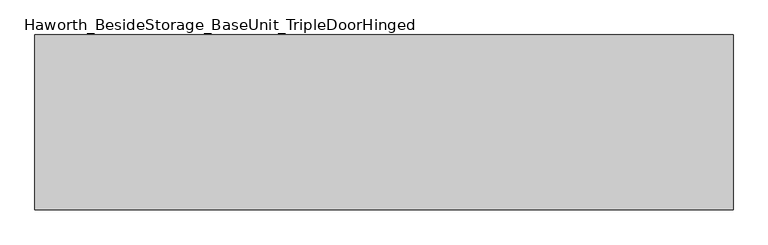
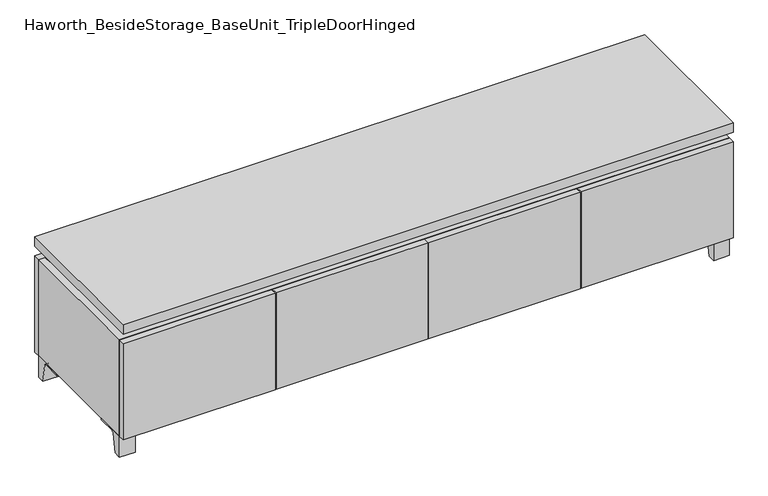
"""IFC4 building model written with IfcOpenShell, lengths in millimetres: furniture geometry, Haworth_BesideStorage_BaseUnit_TripleDoorHinged."""

from ifc_helpers import new_model, si_unit, point, frame, frame_2d, origin, place, context, project, spatial, polyline, circle_curve, trimmed, segment, composite_curve, outline, extrude, faceted_brep, source, transform, mapped, element, save


def haworth_besidestorage_baseunit_tripledoorhinged_94c690e0(model_context):
    return source(origin(), model_context, "Body", "SolidModel", [
        extrude(outline(composite_curve([segment(polyline([(38.6291531, 0.0), (15.875, 0.0), (15.875, 66.675), (111.125, 66.675), (111.125, 61.8963321), (54.3244655, 61.8963321)]), True, "CONTINUOUS"), segment(trimmed(circle_curve(frame_2d((54.3244655, 55.5463321)), 6.35), [point((54.3244655, 61.8963321))], [point((48.0608641, 56.5902656))], True, "CARTESIAN"), True, "CONTINUOUS"), segment(polyline([(48.0608641, 56.5902656), (38.6291531, 0.0)]), True, "CONTINUOUS")], self_intersect=False)), frame((-23.7986094, 0.0, 0.0), z_axis=(1.0, 0.0, 0.0), x_axis=(0.0, 1.0, 0.0)), (0.0, 0.0, 1.0), 47.625),
        extrude(outline(composite_curve([segment(polyline([(-129.6458469, 0.0), (-152.4, 0.0), (-152.4, 66.675), (-57.15, 66.675), (-57.15, 61.8963321), (-113.9505345, 61.8963321)]), True, "CONTINUOUS"), segment(trimmed(circle_curve(frame_2d((-113.9505345, 55.5463321)), 6.35), [point((-113.9505345, 61.8963321))], [point((-120.2141359, 56.5902656))], True, "CARTESIAN"), True, "CONTINUOUS"), segment(polyline([(-120.2141359, 56.5902656), (-129.6458469, 0.0)]), True, "CONTINUOUS")], self_intersect=False)), frame((865.2013906, 0.0, 0.0), z_axis=(1.0, 0.0, 0.0), x_axis=(0.0, 1.0, 0.0)), (0.0, 0.0, 1.0), 47.625),
        extrude(outline(composite_curve([segment(polyline([(243.9458469, 0.0), (234.5141359, 56.5902656)]), True, "CONTINUOUS"), segment(trimmed(circle_curve(frame_2d((228.2505345, 55.5463321)), 6.35), [point((234.5141359, 56.5902656))], [point((228.2505345, 61.8963321))], True, "CARTESIAN"), True, "CONTINUOUS"), segment(polyline([(228.2505345, 61.8963321), (171.45, 61.8963321), (171.45, 66.675), (266.7, 66.675), (266.7, 0.0), (243.9458469, 0.0)]), True, "CONTINUOUS")], self_intersect=False)), frame((865.2013906, 0.0, 0.0), z_axis=(1.0, 0.0, 0.0), x_axis=(0.0, 1.0, 0.0)), (0.0, 0.0, 1.0), 47.625),
        extrude(outline(composite_curve([segment(polyline([(-129.6458469, 0.0), (-152.4, 0.0), (-152.4, 66.675), (-57.15, 66.675), (-57.15, 61.8963321), (-113.9505345, 61.8963321)]), True, "CONTINUOUS"), segment(trimmed(circle_curve(frame_2d((-113.9505345, 55.5463321)), 6.35), [point((-113.9505345, 61.8963321))], [point((-120.2141359, 56.5902656))], True, "CARTESIAN"), True, "CONTINUOUS"), segment(polyline([(-120.2141359, 56.5902656), (-129.6458469, 0.0)]), True, "CONTINUOUS")], self_intersect=False)), frame((-912.7986094, 0.0, 0.0), z_axis=(1.0, 0.0, 0.0), x_axis=(0.0, 1.0, 0.0)), (0.0, 0.0, 1.0), 47.625),
        extrude(outline(composite_curve([segment(polyline([(243.9458469, 0.0), (234.5141359, 56.5902656)]), True, "CONTINUOUS"), segment(trimmed(circle_curve(frame_2d((228.2505345, 55.5463321)), 6.35), [point((234.5141359, 56.5902656))], [point((228.2505345, 61.8963321))], True, "CARTESIAN"), True, "CONTINUOUS"), segment(polyline([(228.2505345, 61.8963321), (171.45, 61.8963321), (171.45, 66.675), (266.7, 66.675), (266.7, 0.0), (243.9458469, 0.0)]), True, "CONTINUOUS")], self_intersect=False)), frame((-912.7986094, 0.0, 0.0), z_axis=(1.0, 0.0, 0.0), x_axis=(0.0, 1.0, 0.0)), (0.0, 0.0, 1.0), 47.625),
        faceted_brep([(-912.7986094, -152.4, 66.675), (912.8125, -152.4, 66.675), (912.8125, -152.4, 371.475), (-912.7986094, -152.4, 371.475), (-893.7486094, -152.4, 85.725), (-893.7486094, -152.4, 352.425), (893.7694453, -152.4, 352.425), (893.7486094, -152.4, 85.725), (-912.7986094, 266.7, 66.675), (-912.7986094, 266.7, 371.475), (-893.7486094, 266.7, 371.475), (-893.7486094, 266.7, 85.725), (893.7486094, 266.7, 85.725), (893.7486094, 266.7, 371.475), (912.8125, 266.7, 371.475), (912.8125, 266.7, 66.675), (893.7486094, 241.3, 371.475), (-893.7416641, 241.3, 371.475), (-893.7486094, 241.3, 352.425), (893.7486094, 241.3, 352.425)], [[[0, 1, 2, 3], [4, 5, 6, 7]], [[8, 9, 10, 11, 12, 13, 14, 15]], [[1, 0, 8, 15]], [[2, 1, 15, 14]], [[3, 2, 14, 13, 16, 17, 10, 9]], [[0, 3, 9, 8]], [[11, 10, 17, 18, 5, 4]], [[13, 12, 7, 6, 19, 16]], [[4, 7, 12, 11]], [[6, 5, 18, 19]], [[17, 16, 19, 18]]]),
        extrude(outline(polyline([(912.8263906, -171.45), (-912.7986094, -171.45), (-912.7986094, 285.75), (912.8263906, 285.75), (912.8263906, -171.45)])), frame((0.0, 0.0, 401.6375), z_axis=(0.0, 0.0, 1.0), x_axis=(1.0, 0.0, 0.0)), (0.0, 0.0, 1.0), 30.1625),
        faceted_brep([(7.9513906, -76.2, 401.6375), (7.9513906, -76.2, 371.475), (7.9513906, 47.625, 371.475), (7.9513906, 47.625, 401.6375), (7.9513906, 190.5, 371.475), (7.9513906, 190.5, 401.6375), (7.9513906, 66.675, 401.6375), (7.9513906, 66.675, 371.475), (-7.9236094, 190.5, 401.6375), (-7.9236094, 190.5, 371.475), (-7.9236094, 66.675, 371.475), (-7.9236094, 66.675, 401.6375), (-7.9236094, -76.2, 371.475), (-7.9236094, -76.2, 401.6375), (-7.9236094, 47.625, 401.6375), (-7.9236094, 47.625, 371.475), (-871.4958281, 66.675, 401.6375), (-871.5166641, 241.3, 401.6375), (-887.3916641, 241.3, 401.6375), (-887.3916641, -127.0, 401.6375), (-871.5166641, -127.0, 401.6375), (-871.5166641, 47.625, 401.6375), (871.5236094, 47.625, 401.6375), (871.5236094, -127.0, 401.6375), (887.3986094, -127.0, 401.6375), (887.3986094, 241.3, 401.6375), (871.5236094, 241.3, 401.6375), (871.5236094, 66.675, 401.6375), (-871.4958281, 47.625, 371.475), (-871.5166641, -127.0, 371.475), (-887.3916641, -127.0, 371.475), (-887.3916641, 241.3, 371.475), (-871.5166641, 241.3, 371.475), (-871.5166641, 66.675, 371.475), (871.5236094, 66.675, 371.475), (871.5236094, 241.3, 371.475), (887.3986094, 241.3, 371.475), (887.3986094, -127.0, 371.475), (871.5236094, -127.0, 371.475), (871.5236094, 47.625, 371.475)], [[[0, 1, 2, 3]], [[4, 5, 6, 7]], [[8, 9, 10, 11]], [[12, 13, 14, 15]], [[5, 8, 11, 16, 17, 18, 19, 20, 21, 14, 13, 0, 3, 22, 23, 24, 25, 26, 27, 6]], [[1, 12, 15, 28, 29, 30, 31, 32, 33, 10, 9, 4, 7, 34, 35, 36, 37, 38, 39, 2]], [[5, 4, 9, 8]], [[1, 0, 13, 12]], [[6, 27, 34, 7]], [[22, 3, 2, 39]], [[20, 29, 28, 21]], [[32, 17, 16, 33]], [[18, 31, 30, 19]], [[29, 20, 19, 30]], [[17, 32, 31, 18]], [[26, 35, 34, 27]], [[38, 23, 22, 39]], [[25, 24, 37, 36]], [[23, 38, 37, 24]], [[35, 26, 25, 36]], [[16, 11, 10, 33]], [[14, 21, 28, 15]]]),
        extrude(outline(polyline([(912.8263906, 266.7), (-912.7986094, 266.7), (-912.7986094, 285.75), (912.8263906, 285.75), (912.8263906, 266.7)])), frame((0.0, 0.0, 66.675), z_axis=(0.0, 0.0, 1.0), x_axis=(1.0, 0.0, 0.0)), (0.0, 0.0, 1.0), 304.8),
        extrude(outline(polyline([(-893.7416641, 196.85), (-893.7416641, 203.2), (893.7694453, 203.2), (893.7694453, 196.85), (-893.7416641, 196.85)])), frame((0.0, 0.0, 85.725), z_axis=(0.0, 0.0, 1.0), x_axis=(1.0, 0.0, 0.0)), (0.0, 0.0, 1.0), 266.7),
        extrude(outline(polyline([(458.0076406, -171.45), (458.0076406, -152.4), (912.8263906, -152.4), (912.8263906, -171.45), (458.0076406, -171.45)])), frame((0.0, 0.0, 66.675), z_axis=(0.0, 0.0, 1.0), x_axis=(1.0, 0.0, 0.0)), (0.0, 0.0, 1.0), 304.8),
        extrude(outline(polyline([(-457.9798594, -171.45), (-912.7986094, -171.45), (-912.7986094, -152.4), (-457.9798594, -152.4), (-457.9798594, -171.45)])), frame((0.0, 0.0, 66.675), z_axis=(0.0, 0.0, 1.0), x_axis=(1.0, 0.0, 0.0)), (0.0, 0.0, 1.0), 304.8),
        extrude(outline(polyline([(0.0138906, -171.45), (0.0138906, -152.4), (454.8326406, -152.4), (454.8326406, -171.45), (0.0138906, -171.45)])), frame((0.0, 0.0, 66.675), z_axis=(0.0, 0.0, 1.0), x_axis=(1.0, 0.0, 0.0)), (0.0, 0.0, 1.0), 304.8),
        extrude(outline(polyline([(0.0138906, -171.45), (-454.8048594, -171.45), (-454.8048594, -152.4), (0.0138906, -152.4), (0.0138906, -171.45)])), frame((0.0, 0.0, 66.675), z_axis=(0.0, 0.0, 1.0), x_axis=(1.0, 0.0, 0.0)), (0.0, 0.0, 1.0), 304.8),
        extrude(outline(polyline([(446.8951406, 196.85), (465.9451406, 196.85), (465.9451406, -152.4), (446.8951406, -152.4), (446.8951406, 196.85)])), frame((0.0, 0.0, 85.725), z_axis=(0.0, 0.0, 1.0), x_axis=(1.0, 0.0, 0.0)), (0.0, 0.0, 1.0), 266.7),
        extrude(outline(polyline([(-465.9173594, 196.85), (-446.8673594, 196.85), (-446.8673594, -152.4), (-465.9173594, -152.4), (-465.9173594, 196.85)])), frame((0.0, 0.0, 85.725), z_axis=(0.0, 0.0, 1.0), x_axis=(1.0, 0.0, 0.0)), (0.0, 0.0, 1.0), 266.7),
    ])


if __name__ == "__main__":
    model = new_model("IFC4")
    model_context = context("Model", 3, world=origin())
    ifc_project = project(units=[si_unit("LENGTHUNIT", "METRE", prefix="MILLI")], contexts=[model_context])
    site = spatial("IfcSite", under=ifc_project)
    building = spatial("IfcBuilding", under=site)
    placement = place(None, origin())
    haworth_besidestorage_baseunit_tripledoorhinged_shape = haworth_besidestorage_baseunit_tripledoorhinged_94c690e0(model_context)
    element("IfcFurniture", 1, ObjectType="Haworth_BesideStorage_BaseUnit_TripleDoorHinged", at=placement, inside=building, context=model_context, shape_type="MappedRepresentation", body=[
        mapped(haworth_besidestorage_baseunit_tripledoorhinged_shape, transform((0.0, 0.0, 0.0), x_axis=(1.0, 0.0, 0.0), y_axis=(0.0, 1.0, 0.0), z_axis=(0.0, 0.0, 1.0))),
    ])
    save(model, "model.ifc")
